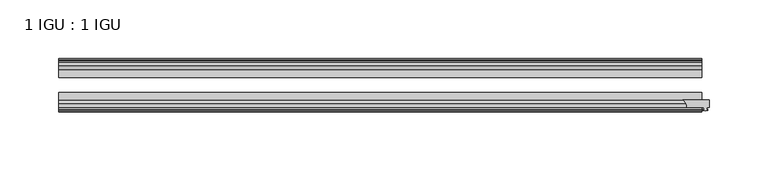
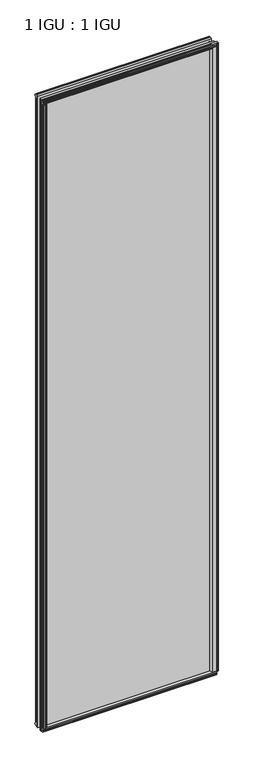
"""IFC4 building model written with IfcOpenShell, lengths in millimetres: plate geometry, 1 IGU : 1 IGU."""

from ifc_helpers import new_model, si_unit, point, frame, frame_2d, origin, origin_with_axes, place, context, project, spatial, polyline, circle_curve, trimmed, segment, composite_curve, outline, extrude, source, transform, mapped, element, save


def plate_1_igu_1_igu_40a70f25(model_context):
    return source(origin(), model_context, "Body", "SweptSolid", [
        extrude(outline(composite_curve([segment(polyline([(256.8614314, -44.9460938), (279.4, -44.9460938), (279.4, -51.2960938), (277.495, -51.2960938), (277.1775, -53.4006957), (278.3834059, -53.0775742), (278.3834059, -53.8927506), (276.225, -54.4710938), (274.0665941, -53.8927506), (274.0665941, -53.0775742), (275.2725, -53.4006957), (274.955, -51.2960938), (260.35, -51.2960938)]), True, "CONTINUOUS"), segment(trimmed(circle_curve(frame_2d((252.9115021, -51.2493858)), 7.4386445), [point((260.35, -51.2960938))], [point((256.8614314, -44.9460938))], True, "CARTESIAN"), True, "CONTINUOUS")], self_intersect=False)), origin_with_axes(), (0.0, 0.0, 1.0), 2082.7872998),
        extrude(outline(polyline([(258.7642137, -19.5460937), (260.8694908, -13.1960937), (266.0766852, -13.1960937), (266.4576852, -10.8158968), (265.0421562, -11.27583), (265.0421562, -10.4746158), (267.2196852, -9.7670937), (269.3972143, -10.4746158), (269.3972143, -11.27583), (267.9816852, -10.8158968), (268.3626852, -13.1960937), (272.8076852, -13.1960937), (272.8076852, -16.1419073), (270.5946077, -19.5460937), (258.7642137, -19.5460937)])), origin_with_axes(), (0.0, 0.0, 1.0), 2070.1),
        extrude(outline(polyline([(-258.7642137, -19.5460937), (-270.5946077, -19.5460937), (-272.8076852, -16.1419073), (-272.8076852, -13.1960937), (-268.3626852, -13.1960937), (-267.9816852, -10.8158968), (-269.3972143, -11.27583), (-269.3972143, -10.4746158), (-267.2196852, -9.7670937), (-265.0421562, -10.4746158), (-265.0421562, -11.27583), (-266.4576852, -10.8158968), (-266.0766852, -13.1960937), (-260.8694908, -13.1960937), (-258.7642137, -19.5460937)])), origin_with_axes(), (0.0, 0.0, 1.0), 2070.1),
        extrude(outline(polyline([(-16.1419073, -12.4576852), (-19.5460937, -10.2446077), (-19.5460937, 1.5857863), (-13.1960937, -0.5194908), (-13.1960937, -5.7266852), (-10.8158968, -6.1076852), (-11.27583, -4.6921562), (-10.4746158, -4.6921562), (-9.7670937, -6.8696852), (-10.4746158, -9.0472143), (-11.27583, -9.0472143), (-10.8158968, -7.6316852), (-13.1960937, -8.0126852), (-13.1960937, -12.4576852), (-16.1419073, -12.4576852)])), frame((-273.05, 0.0, 0.0), z_axis=(1.0, 0.0, 0.0), x_axis=(0.0, 1.0, 0.0)), (0.0, 0.0, 1.0), 546.1),
        extrude(outline(polyline([(-48.3502802, -11.938), (-51.2960937, -11.938), (-51.2960937, -7.493), (-53.6762907, -7.112), (-53.2163575, -8.5275291), (-54.0175717, -8.5275291), (-54.7250937, -6.35), (-54.0175717, -4.172471), (-53.2163575, -4.172471), (-53.6762907, -5.588), (-51.2960937, -5.207), (-51.2960937, 0.0001944), (-44.9460937, 2.1054715), (-44.9460937, -9.7249225), (-48.3502802, -11.938)])), frame((-273.05, 0.0, 0.0), z_axis=(1.0, 0.0, 0.0), x_axis=(0.0, 1.0, 0.0)), (0.0, 0.0, 1.0), 546.1),
        extrude(outline(polyline([(-16.1028367, 2082.5576852), (-13.1960937, 2082.5576852), (-13.1960937, 2078.1126852), (-10.8158968, 2077.7316852), (-11.27583, 2079.1472143), (-10.4746158, 2079.1472143), (-9.7670937, 2076.9696852), (-10.4746158, 2074.7921562), (-11.27583, 2074.7921562), (-10.8158968, 2076.2076852), (-13.1960937, 2075.8266852), (-13.1960937, 2070.5940908), (-19.5460937, 2068.4888137), (-19.5460937, 2080.3192077), (-16.1028367, 2082.5576852)])), frame((-273.05, 0.0, 0.0), z_axis=(1.0, 0.0, 0.0), x_axis=(0.0, 1.0, 0.0)), (0.0, 0.0, 1.0), 546.1),
        extrude(outline(polyline([(-48.3893508, 2082.0126), (-44.9460937, 2079.7741225), (-44.9460937, 2067.9437285), (-51.2960937, 2070.0490056), (-51.2960937, 2075.2816), (-53.6762907, 2075.6626), (-53.2163575, 2074.2470709), (-54.0175717, 2074.2470709), (-54.7250938, 2076.4246), (-54.0175717, 2078.602129), (-53.2163575, 2078.602129), (-53.6762907, 2077.1866), (-51.2960937, 2077.5676), (-51.2960937, 2082.0126), (-48.3893508, 2082.0126)])), frame((-273.05, 0.0, 0.0), z_axis=(1.0, 0.0, 0.0), x_axis=(0.0, 1.0, 0.0)), (0.0, 0.0, 1.0), 546.1),
        extrude(outline(polyline([(-258.2445285, -44.9460938), (-260.3498056, -51.2960938), (-265.557, -51.2960938), (-265.938, -53.6762907), (-264.522471, -53.2163575), (-264.522471, -54.0175717), (-266.7, -54.7250938), (-268.8775291, -54.0175717), (-268.8775291, -53.2163575), (-267.462, -53.6762907), (-267.843, -51.2960938), (-272.288, -51.2960938), (-272.288, -48.3502802), (-270.0749225, -44.9460938), (-258.2445285, -44.9460938)])), origin_with_axes(), (0.0, 0.0, 1.0), 2070.1),
        extrude(outline(polyline([(273.05, -19.5460937), (273.05, -25.8337453), (-273.05, -25.8337453), (-273.05, -19.5460937), (273.05, -19.5460937)])), frame((0.0, 0.0, -12.7), z_axis=(0.0, 0.0, 1.0), x_axis=(1.0, 0.0, 0.0)), (0.0, 0.0, 1.0), 2095.4872998),
        extrude(outline(polyline([(-273.05, -44.9460937), (-273.05, -38.6468938), (273.05, -38.6468938), (273.05, -44.9460937), (-273.05, -44.9460937)])), frame((0.0, 0.0, -12.7), z_axis=(0.0, 0.0, 1.0), x_axis=(1.0, 0.0, 0.0)), (0.0, 0.0, 1.0), 2095.4872998),
    ])


if __name__ == "__main__":
    model = new_model("IFC4")
    model_context = context("Model", 3, world=origin())
    ifc_project = project(units=[si_unit("LENGTHUNIT", "METRE", prefix="MILLI")], contexts=[model_context])
    site = spatial("IfcSite", under=ifc_project)
    building = spatial("IfcBuilding", under=site)
    placement = place(None, origin())
    plate_1_igu_1_igu_shape = plate_1_igu_1_igu_40a70f25(model_context)
    element("IfcPlate", 1, ObjectType="1 IGU : 1 IGU", at=placement, inside=building, context=model_context, shape_type="MappedRepresentation", body=[
        mapped(plate_1_igu_1_igu_shape, transform((0.0, 0.0, 0.0), x_axis=(1.0, 0.0, 0.0), y_axis=(0.0, 1.0, 0.0), z_axis=(0.0, 0.0, 1.0))),
    ])
    save(model, "model.ifc")
